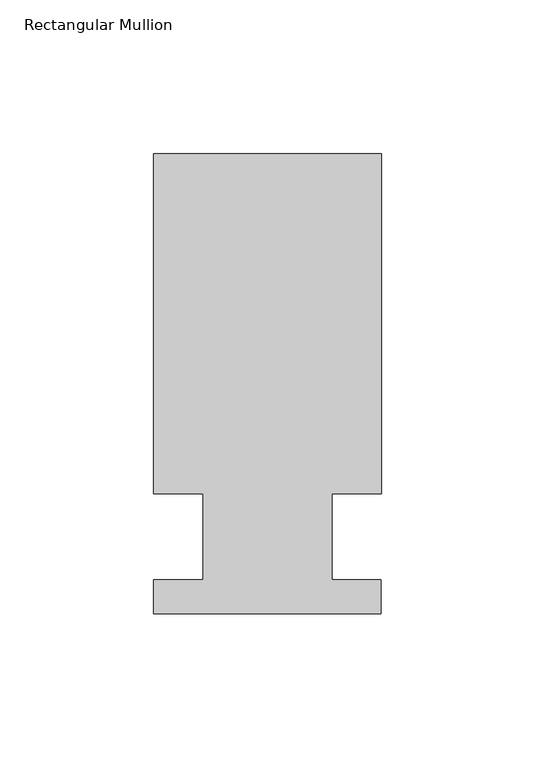
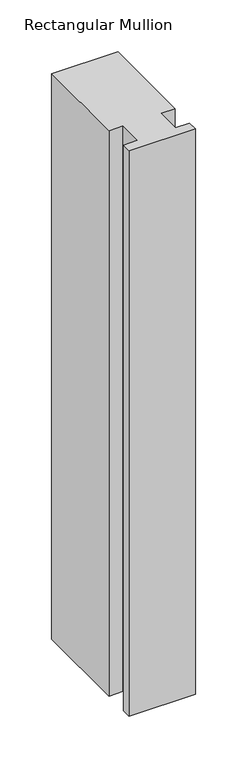
"""IFC4 building model written with IfcOpenShell, lengths in millimetres: member geometry, Rectangular Mullion."""

from ifc_helpers import new_model, si_unit, frame, origin, place, context, project, spatial, polyline, outline, extrude, source, transform, mapped, element, save


def rectangular_mullion_5f8a7d40(model_context):
    return source(origin(), model_context, "Body", "SweptSolid", [
        extrude(outline(polyline([(-20.9800745, 13.9998907), (-37.0, 13.9998907), (-37.0, 124.5), (37.0, 124.5), (37.0, 13.9998907), (20.9800745, 13.9998907), (20.9800745, -14.0), (36.9800745, -14.0), (36.9800745, -25.0), (-37.0, -25.0), (-37.0, -14.0), (-20.9800745, -14.0), (-20.9800745, 13.9998907)])), frame((0.0, 0.0, -666.20085), z_axis=(0.0, 0.0, 1.0), x_axis=(1.0, 0.0, 0.0)), (0.0, 0.0, 1.0), 666.20085),
    ])


if __name__ == "__main__":
    model = new_model("IFC4")
    model_context = context("Model", 3, world=origin())
    ifc_project = project(units=[si_unit("LENGTHUNIT", "METRE", prefix="MILLI")], contexts=[model_context])
    site = spatial("IfcSite", under=ifc_project)
    building = spatial("IfcBuilding", under=site)
    placement = place(None, origin())
    rectangular_mullion_shape = rectangular_mullion_5f8a7d40(model_context)
    element("IfcMember", 1, ObjectType="Rectangular Mullion", at=placement, inside=building, context=model_context, shape_type="MappedRepresentation", body=[
        mapped(rectangular_mullion_shape, transform((0.0, 0.0, 0.0), x_axis=(1.0, 0.0, 0.0), y_axis=(0.0, 1.0, 0.0), z_axis=(0.0, 0.0, 1.0))),
    ])
    save(model, "model.ifc")
